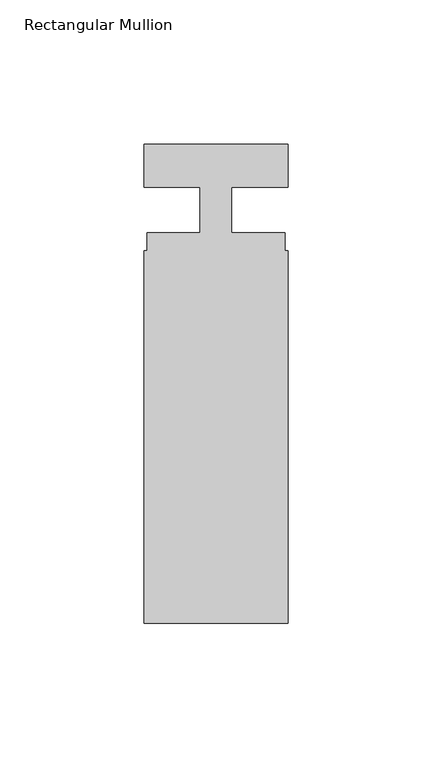
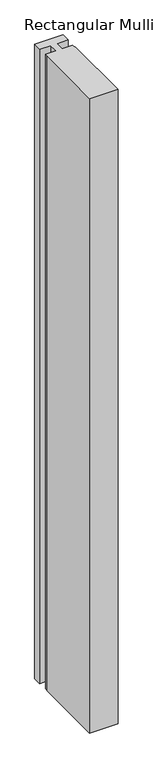
"""IFC4 building model written with IfcOpenShell, lengths in millimetres: member geometry, Rectangular Mullion."""

from ifc_helpers import new_model, si_unit, frame, origin, place, context, project, spatial, polyline, outline, extrude, source, transform, mapped, element, save


def rectangular_mullion_017f8577(model_context):
    return source(origin(), model_context, "Body", "SweptSolid", [
        extrude(outline(polyline([(0.0, -140.3), (-50.0, -140.3), (-50.0, -11.0), (-48.9, -11.0), (-48.9, -4.8), (-30.4999998, -4.8), (-30.4999998, 11.0), (-50.0, 11.0), (-50.0, 26.0), (0.0, 26.0), (0.0, 11.0), (-19.5, 11.0), (-19.5, -4.8), (-1.1, -4.8), (-1.1, -11.0), (0.0, -11.0), (0.0, -140.3)])), frame((0.0, 0.0, -1175.0), z_axis=(0.0, 0.0, 1.0), x_axis=(1.0, 0.0, 0.0)), (0.0, 0.0, 1.0), 1175.0),
    ])


if __name__ == "__main__":
    model = new_model("IFC4")
    model_context = context("Model", 3, world=origin())
    ifc_project = project(units=[si_unit("LENGTHUNIT", "METRE", prefix="MILLI")], contexts=[model_context])
    site = spatial("IfcSite", under=ifc_project)
    building = spatial("IfcBuilding", under=site)
    placement = place(None, origin())
    rectangular_mullion_shape = rectangular_mullion_017f8577(model_context)
    element("IfcMember", 1, ObjectType="Rectangular Mullion", at=placement, inside=building, context=model_context, shape_type="MappedRepresentation", body=[
        mapped(rectangular_mullion_shape, transform((0.0, 0.0, 0.0), x_axis=(1.0, 0.0, 0.0), y_axis=(0.0, 1.0, 0.0), z_axis=(0.0, 0.0, 1.0))),
    ])
    save(model, "model.ifc")
